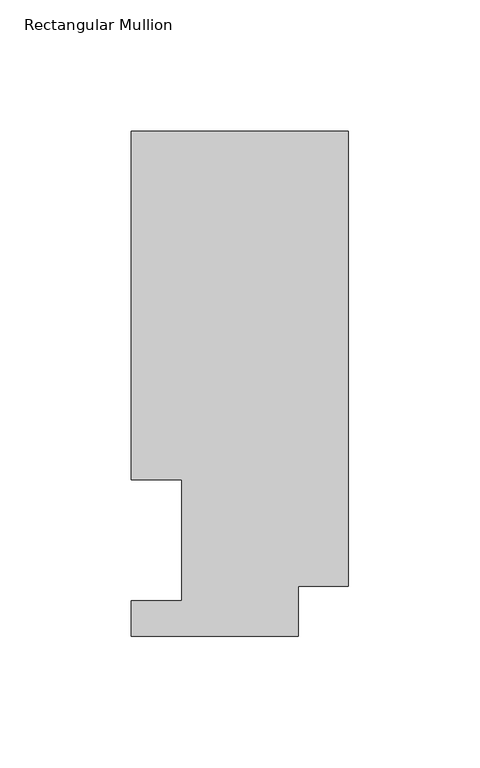
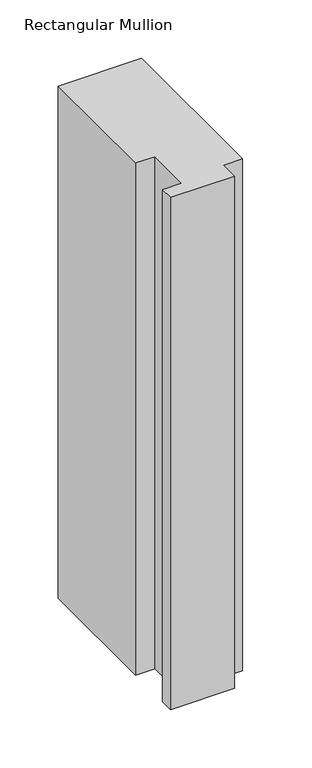
"""IFC4 building model written with IfcOpenShell, lengths in millimetres: member geometry, Rectangular Mullion."""

from ifc_helpers import new_model, si_unit, frame, origin, place, context, project, spatial, polyline, outline, extrude, source, transform, mapped, element, save


def rectangular_mullion_4b018454(model_context):
    return source(origin(), model_context, "Body", "SweptSolid", [
        extrude(outline(polyline([(-82.55, 192.09385), (0.0, 192.09385), (0.0, 19.06905), (-19.05, 19.06905), (-19.05, 0.04445), (-82.55, 0.04445), (-82.55, 13.50645), (-63.5, 13.50645), (-63.5, 59.53125), (-82.55, 59.53125), (-82.55, 192.09385)])), frame((0.0, 0.0, -535.5166667), z_axis=(0.0, 0.0, 1.0), x_axis=(1.0, 0.0, 0.0)), (0.0, 0.0, 1.0), 535.5166667),
    ])


if __name__ == "__main__":
    model = new_model("IFC4")
    model_context = context("Model", 3, world=origin())
    ifc_project = project(units=[si_unit("LENGTHUNIT", "METRE", prefix="MILLI")], contexts=[model_context])
    site = spatial("IfcSite", under=ifc_project)
    building = spatial("IfcBuilding", under=site)
    placement = place(None, origin())
    rectangular_mullion_shape = rectangular_mullion_4b018454(model_context)
    element("IfcMember", 1, ObjectType="Rectangular Mullion", at=placement, inside=building, context=model_context, shape_type="MappedRepresentation", body=[
        mapped(rectangular_mullion_shape, transform((0.0, 0.0, 0.0), x_axis=(1.0, 0.0, 0.0), y_axis=(0.0, 1.0, 0.0), z_axis=(0.0, 0.0, 1.0))),
    ])
    save(model, "model.ifc")
